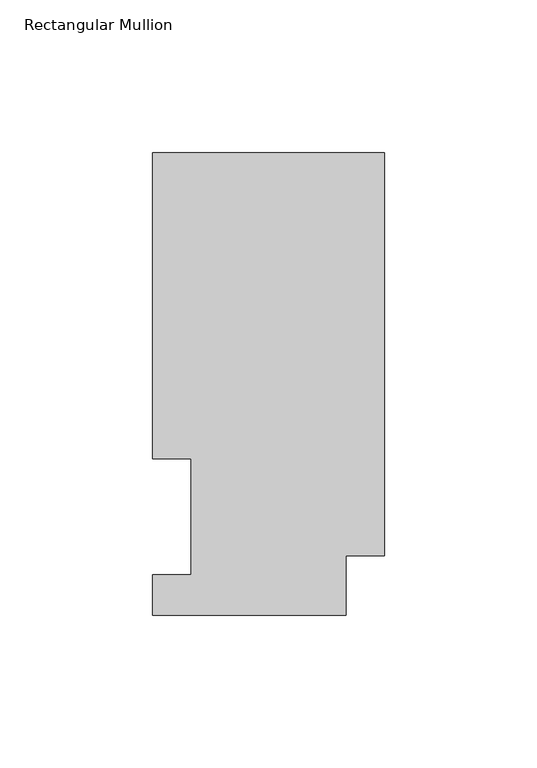
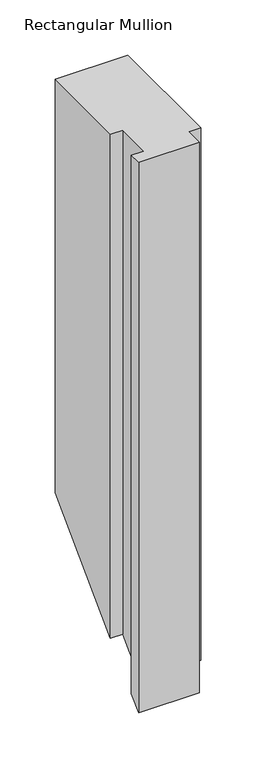
"""IFC4 building model written with IfcOpenShell, lengths in millimetres: member geometry, Rectangular Mullion."""

from ifc_helpers import new_model, si_unit, origin, place, context, project, spatial, faceted_brep, source, transform, mapped, element, save


def rectangular_mullion_d6745ff9(model_context):
    return source(origin(), model_context, "Body", "Brep", [
        faceted_brep([(0.0, 151.7027918, 0.0), (-76.2, 151.7027918, 0.0), (-76.2, 51.2960938, 0.0), (-63.5, 51.2960938, 0.0), (-63.5, 13.1965918, 0.0), (-76.2, 13.1965918, 0.0), (-76.2, 0.0139918, 0.0), (-12.7, 0.0139918, 0.0), (-12.7, 19.5460937, 0.0), (0.0, 19.5460937, 0.0), (0.0, 151.7027918, -457.8972082), (-76.2, 151.7027918, -457.8972082), (-76.2, 51.2960938, -558.3039062), (-63.5, 51.2960938, -558.3039062), (-63.5, 13.1965918, -596.4034082), (-76.2, 13.1965918, -596.4034082), (-76.2, 0.0139918, -609.5860082), (-12.7, 0.0139918, -609.5860082), (-12.7, 19.5460937, -590.0539062), (0.0, 19.5460937, -590.0539062)], [[[0, 1, 2, 3, 4, 5, 6, 7, 8, 9]], [[1, 0, 10, 11]], [[2, 1, 11, 12]], [[3, 2, 12, 13]], [[4, 3, 13, 14]], [[5, 4, 14, 15]], [[6, 5, 15, 16]], [[7, 6, 16, 17]], [[8, 7, 17, 18]], [[9, 8, 18, 19]], [[0, 9, 19, 10]], [[10, 19, 18, 17, 16, 15, 14, 13, 12, 11]]]),
    ])


if __name__ == "__main__":
    model = new_model("IFC4")
    model_context = context("Model", 3, world=origin())
    ifc_project = project(units=[si_unit("LENGTHUNIT", "METRE", prefix="MILLI")], contexts=[model_context])
    site = spatial("IfcSite", under=ifc_project)
    building = spatial("IfcBuilding", under=site)
    placement = place(None, origin())
    rectangular_mullion_shape = rectangular_mullion_d6745ff9(model_context)
    element("IfcMember", 1, ObjectType="Rectangular Mullion", at=placement, inside=building, context=model_context, shape_type="MappedRepresentation", body=[
        mapped(rectangular_mullion_shape, transform((0.0, 0.0, 0.0), x_axis=(1.0, 0.0, 0.0), y_axis=(0.0, 1.0, 0.0), z_axis=(0.0, 0.0, 1.0))),
    ])
    save(model, "model.ifc")
